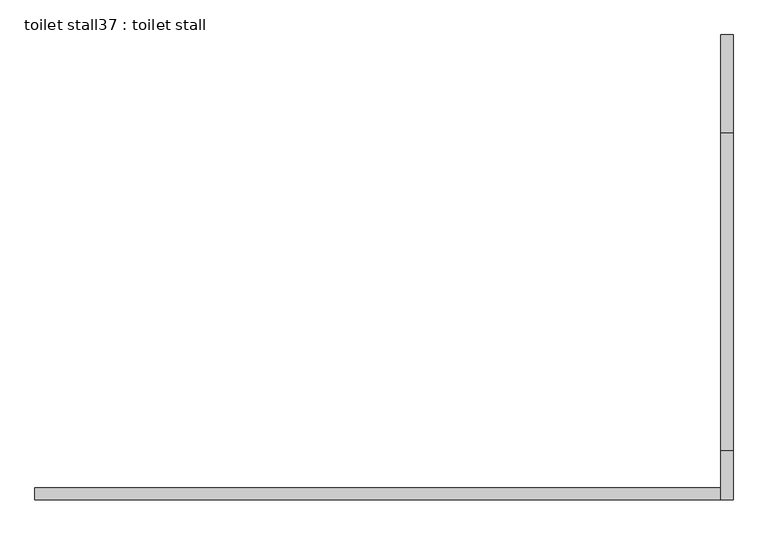
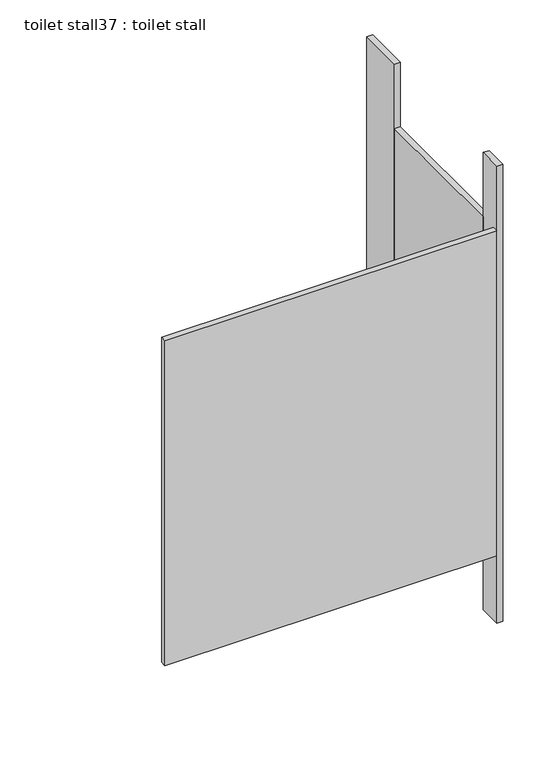
"""IFC4 building model written with IfcOpenShell, lengths in millimetres: proxy geometry, toilet stall37 : toilet stall."""

from ifc_helpers import new_model, si_unit, frame, origin, origin_with_axes, place, context, project, spatial, polyline, outline, extrude, source, transform, mapped, element, save


def toilet_stall37_toilet_stall_7b8a04cf(model_context):
    return source(origin(), model_context, "Body", "SweptSolid", [
        extrude(outline(polyline([(458207.8504676, -349106.3455223), (458207.8504676, -348903.1455223), (458233.2504676, -348903.1455223), (458233.2504676, -349106.3455223), (458207.8504676, -349106.3455223)])), origin_with_axes(), (0.0, 0.0, 1.0), 2070.1),
        extrude(outline(polyline([(458207.8504676, -349868.3455223), (458207.8504676, -349766.7455223), (458233.2504676, -349766.7455223), (458233.2504676, -349868.3455223), (458207.8504676, -349868.3455223)])), origin_with_axes(), (0.0, 0.0, 1.0), 2070.1),
        extrude(outline(polyline([(458207.8504676, -349868.3455223), (456785.4504676, -349868.3455223), (456785.4504676, -349842.9455223), (458207.8504676, -349842.9455223), (458207.8504676, -349868.3455223)])), frame((0.0, 0.0, 304.8), z_axis=(0.0, 0.0, 1.0), x_axis=(1.0, 0.0, 0.0)), (0.0, 0.0, 1.0), 1473.2),
        extrude(outline(polyline([(458207.8504676, -349766.7455223), (458207.8504676, -349106.3455223), (458233.2504676, -349106.3455223), (458233.2504676, -349766.7455223), (458207.8504676, -349766.7455223)])), frame((0.0, 0.0, 304.8), z_axis=(0.0, 0.0, 1.0), x_axis=(1.0, 0.0, 0.0)), (0.0, 0.0, 1.0), 1473.2),
    ])


if __name__ == "__main__":
    model = new_model("IFC4")
    model_context = context("Model", 3, world=origin())
    ifc_project = project(units=[si_unit("LENGTHUNIT", "METRE", prefix="MILLI")], contexts=[model_context])
    site = spatial("IfcSite", under=ifc_project)
    building = spatial("IfcBuilding", under=site)
    placement = place(None, origin())
    toilet_stall37_toilet_stall_shape = toilet_stall37_toilet_stall_7b8a04cf(model_context)
    element("IfcBuildingElementProxy", 1, Name="toilet stall37 : toilet stall", ObjectType="toilet stall37 : toilet stall", at=placement, inside=building, context=model_context, shape_type="MappedRepresentation", body=[
        mapped(toilet_stall37_toilet_stall_shape, transform((0.0, 0.0, 0.0), x_axis=(1.0, 0.0, 0.0), y_axis=(0.0, 1.0, 0.0), z_axis=(0.0, 0.0, 1.0))),
    ])
    save(model, "model.ifc")
